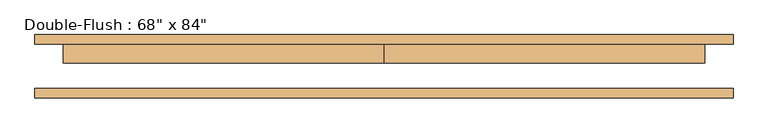
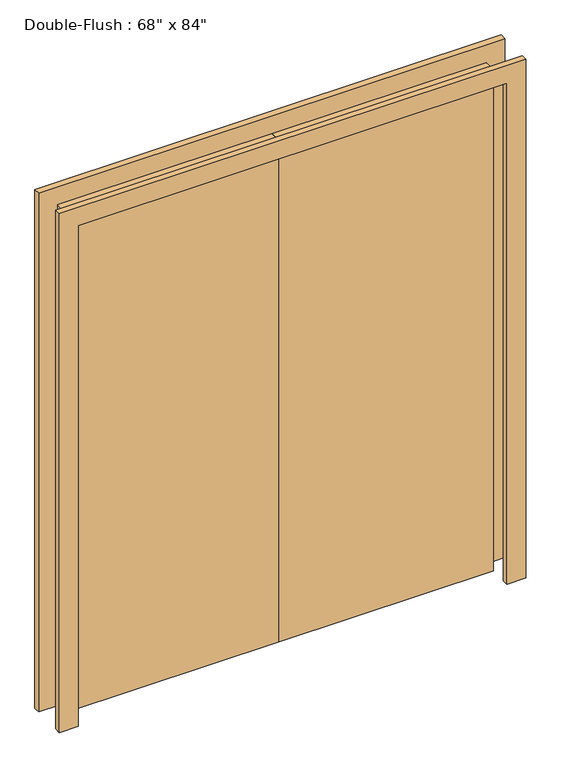
"""IFC4 building model written with IfcOpenShell, lengths in millimetres: door geometry."""

from ifc_helpers import new_model, si_unit, frame, origin, origin_with_axes, place, context, project, spatial, polyline, outline, extrude, source, transform, mapped, element, save


def door_1e172cc7(model_context):
    return source(origin(), model_context, "Body", "SweptSolid", [
        extrude(outline(polyline([(0.0, 60.0), (863.6, 60.0), (863.6, 9.2), (0.0, 9.2), (0.0, 60.0)])), origin_with_axes(), (0.0, 0.0, 1.0), 2133.6),
        extrude(outline(polyline([(-863.6, 60.0), (0.0, 60.0), (0.0, 9.2), (-863.6, 9.2), (-863.6, 60.0)])), origin_with_axes(), (0.0, 0.0, 1.0), 2133.6),
        extrude(outline(polyline([(2133.6, -863.6), (2133.6, 863.6), (0.0, 863.6), (0.0, 939.8), (2209.8, 939.8), (2209.8, -939.8), (0.0, -939.8), (0.0, -863.6), (2133.6, -863.6)])), frame((0.0, -85.4, 0.0), z_axis=(0.0, 1.0, 0.0), x_axis=(0.0, 0.0, 1.0)), (0.0, 0.0, 1.0), 25.4),
        extrude(outline(polyline([(2133.6, -863.6), (2133.6, 863.6), (0.0, 863.6), (0.0, 939.8), (2209.8, 939.8), (2209.8, -939.8), (0.0, -939.8), (0.0, -863.6), (2133.6, -863.6)])), frame((0.0, 60.0, 0.0), z_axis=(0.0, 1.0, 0.0), x_axis=(0.0, 0.0, 1.0)), (0.0, 0.0, 1.0), 25.4),
    ])


if __name__ == "__main__":
    model = new_model("IFC4")
    model_context = context("Model", 3, world=origin())
    ifc_project = project(units=[si_unit("LENGTHUNIT", "METRE", prefix="MILLI")], contexts=[model_context])
    site = spatial("IfcSite", under=ifc_project)
    building = spatial("IfcBuilding", under=site)
    placement = place(None, origin())
    door_shape = door_1e172cc7(model_context)
    element("IfcDoor", 1, ObjectType="Double-Flush : 68\" x 84\"", at=placement, inside=building, context=model_context, shape_type="MappedRepresentation", body=[
        mapped(door_shape, transform((0.0, 0.0, 0.0), x_axis=(1.0, 0.0, 0.0), y_axis=(0.0, 1.0, 0.0), z_axis=(0.0, 0.0, 1.0))),
    ])
    save(model, "model.ifc")
